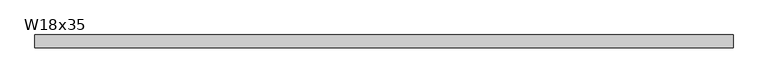
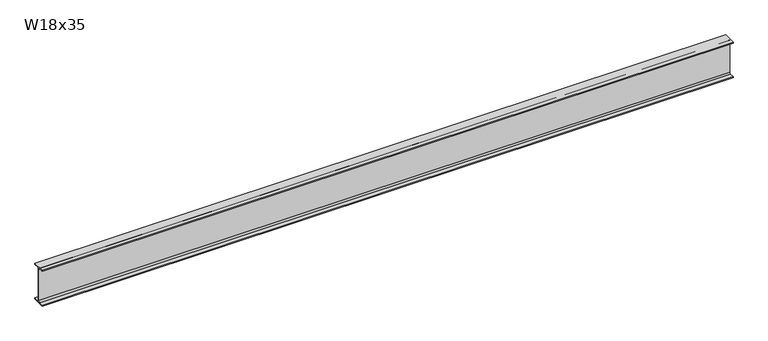
"""IFC4 building model written with IfcOpenShell, lengths in millimetres: beam geometry, W18x35."""

from ifc_helpers import new_model, si_unit, point, frame, frame_2d, origin, place, context, project, spatial, polyline, circle_curve, trimmed, segment, composite_curve, outline, extrude, source, transform, mapped, element, save


def w18x35_e17f82ec(model_context):
    return source(origin(), model_context, "Body", "SweptSolid", [
        extrude(outline(composite_curve([segment(polyline([(76.2, -213.995), (76.2, -224.79), (-76.2, -224.79), (-76.2, -213.995), (-21.59, -213.995)]), True, "CONTINUOUS"), segment(trimmed(circle_curve(frame_2d((-21.59, -196.215)), 17.78), [point((-21.59, -213.995))], [point((-3.81, -196.215))], True, "CARTESIAN"), True, "CONTINUOUS"), segment(polyline([(-3.81, -196.215), (-3.81, 196.215)]), True, "CONTINUOUS"), segment(trimmed(circle_curve(frame_2d((-21.59, 196.215)), 17.78), [point((-3.81, 196.215))], [point((-21.59, 213.995))], True, "CARTESIAN"), True, "CONTINUOUS"), segment(polyline([(-21.59, 213.995), (-76.2, 213.995), (-76.2, 224.79), (76.2, 224.79), (76.2, 213.995), (21.59, 213.995)]), True, "CONTINUOUS"), segment(trimmed(circle_curve(frame_2d((21.59, 196.215)), 17.78), [point((21.59, 213.995))], [point((3.81, 196.215))], True, "CARTESIAN"), True, "CONTINUOUS"), segment(polyline([(3.81, 196.215), (3.81, -196.215)]), True, "CONTINUOUS"), segment(trimmed(circle_curve(frame_2d((21.59, -196.215)), 17.78), [point((3.81, -196.215))], [point((21.59, -213.995))], True, "CARTESIAN"), True, "CONTINUOUS"), segment(polyline([(21.59, -213.995), (76.2, -213.995)]), True, "CONTINUOUS")], self_intersect=False)), frame((-4062.356436, 0.0, 0.0), z_axis=(1.0, 0.0, 0.0), x_axis=(0.0, 1.0, 0.0)), (0.0, 0.0, 1.0), 8260.1242899),
    ])


if __name__ == "__main__":
    model = new_model("IFC4")
    model_context = context("Model", 3, world=origin())
    ifc_project = project(units=[si_unit("LENGTHUNIT", "METRE", prefix="MILLI")], contexts=[model_context])
    site = spatial("IfcSite", under=ifc_project)
    building = spatial("IfcBuilding", under=site)
    placement = place(None, origin())
    w18x35_shape = w18x35_e17f82ec(model_context)
    element("IfcBeam", 1, ObjectType="W18x35", at=placement, inside=building, context=model_context, shape_type="MappedRepresentation", body=[
        mapped(w18x35_shape, transform((0.0, 0.0, 0.0), x_axis=(1.0, 0.0, 0.0), y_axis=(0.0, 1.0, 0.0), z_axis=(0.0, 0.0, 1.0))),
    ])
    save(model, "model.ifc")
